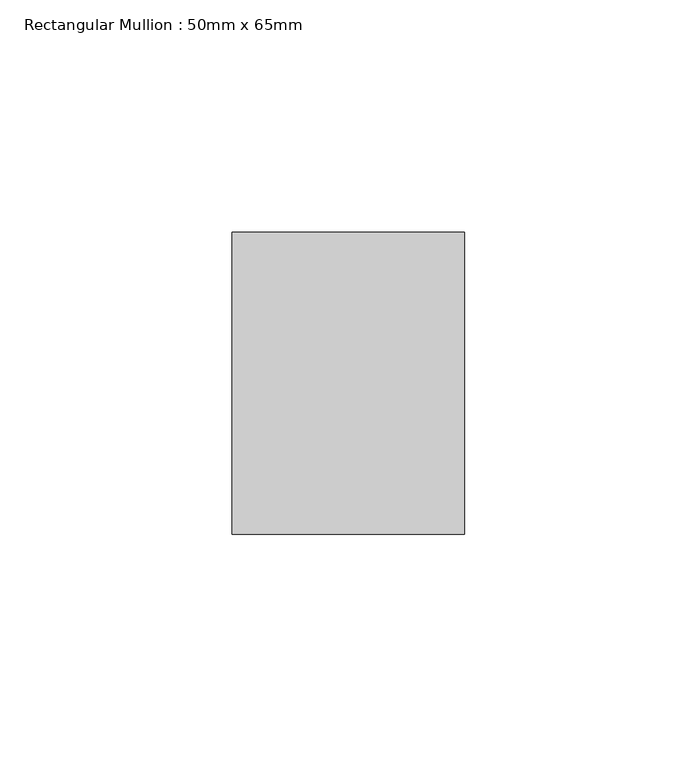
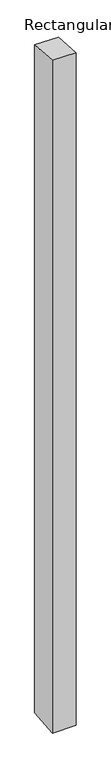
"""IFC4 building model written with IfcOpenShell, lengths in millimetres: member geometry, Rectangular Mullion : 50mm x 65mm."""

from ifc_helpers import new_model, si_unit, origin, place, context, project, spatial, faceted_brep, source, transform, mapped, element, save


def rectangular_mullion_50mm_x_65mm_4a25ca93(model_context):
    return source(origin(), model_context, "Body", "Brep", [
        faceted_brep([(-25.0, 32.5, -2.4319447), (25.0, 32.5, -2.4319545), (25.0, 32.5, -1497.008843), (-25.0, 32.5, -1497.0088551), (-25.0, -32.5, 2.4319545), (-25.0, -32.5, -1502.991167), (25.0, -32.5, 2.4319447), (25.0, -32.5, -1502.991155)], [[[0, 1, 2, 3]], [[4, 0, 3, 5]], [[6, 4, 5, 7]], [[1, 6, 7, 2]], [[1, 0, 4, 6]], [[2, 7, 5, 3]]]),
    ])


if __name__ == "__main__":
    model = new_model("IFC4")
    model_context = context("Model", 3, world=origin())
    ifc_project = project(units=[si_unit("LENGTHUNIT", "METRE", prefix="MILLI")], contexts=[model_context])
    site = spatial("IfcSite", under=ifc_project)
    building = spatial("IfcBuilding", under=site)
    placement = place(None, origin())
    rectangular_mullion_50mm_x_65mm_shape = rectangular_mullion_50mm_x_65mm_4a25ca93(model_context)
    element("IfcMember", 1, ObjectType="Rectangular Mullion : 50mm x 65mm", at=placement, inside=building, context=model_context, shape_type="MappedRepresentation", body=[
        mapped(rectangular_mullion_50mm_x_65mm_shape, transform((0.0, 0.0, 0.0), x_axis=(1.0, 0.0, 0.0), y_axis=(0.0, 1.0, 0.0), z_axis=(0.0, 0.0, 1.0))),
    ])
    save(model, "model.ifc")
